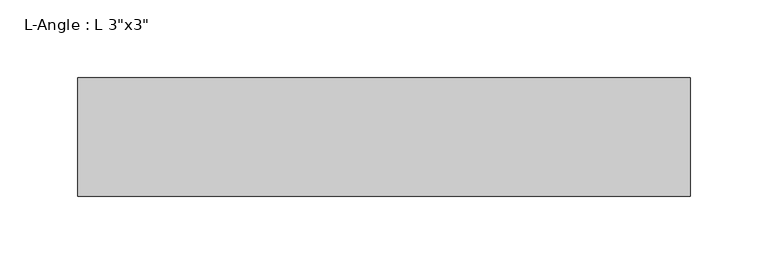
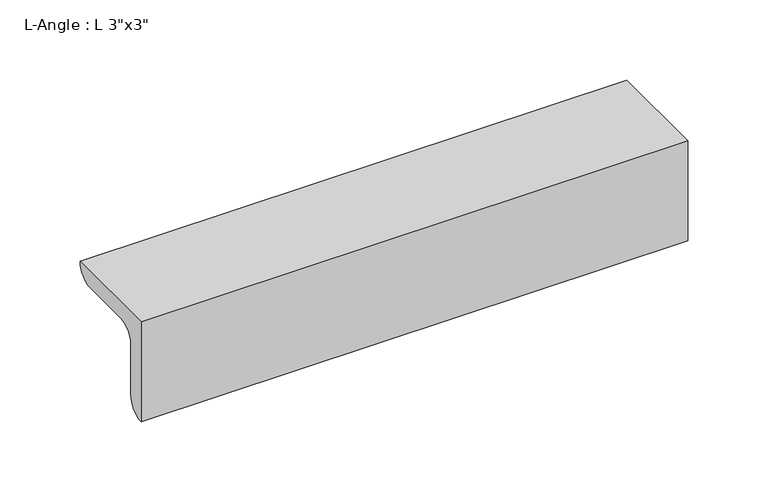
"""IFC4 building model written with IfcOpenShell, lengths in millimetres: beam geometry."""

from ifc_helpers import new_model, si_unit, point, frame, frame_2d, origin, place, context, project, spatial, polyline, circle_curve, trimmed, segment, composite_curve, outline, extrude, source, transform, mapped, element, save


def beam_85357617(model_context):
    return source(origin(), model_context, "Body", "SweptSolid", [
        extrude(outline(composite_curve([segment(polyline([(-24.9039062, 50.3039062), (51.2960938, 50.3039062)]), True, "CONTINUOUS"), segment(trimmed(circle_curve(frame_2d((38.5960938, 50.3039062)), 12.7), [point((51.2960938, 50.3039062))], [point((38.5960938, 37.6039062))], False, "CARTESIAN"), True, "CONTINUOUS"), segment(polyline([(38.5960938, 37.6039062), (0.4960938, 37.6039062)]), True, "CONTINUOUS"), segment(trimmed(circle_curve(frame_2d((0.4960938, 24.9039062)), 12.7), [point((0.4960938, 37.6039062))], [point((-12.2039062, 24.9039062))], True, "CARTESIAN"), True, "CONTINUOUS"), segment(polyline([(-12.2039062, 24.9039062), (-12.2039062, -13.1960938)]), True, "CONTINUOUS"), segment(trimmed(circle_curve(frame_2d((-24.9039062, -13.1960938)), 12.7), [point((-12.2039062, -13.1960938))], [point((-24.9039062, -25.8960938))], False, "CARTESIAN"), True, "CONTINUOUS"), segment(polyline([(-24.9039062, -25.8960938), (-24.9039062, 50.3039062)]), True, "CONTINUOUS")], self_intersect=False)), frame((-196.9961813, 0.0, 0.0), z_axis=(1.0, 0.0, 0.0), x_axis=(0.0, 1.0, 0.0)), (0.0, 0.0, 1.0), 393.9923626),
    ])


if __name__ == "__main__":
    model = new_model("IFC4")
    model_context = context("Model", 3, world=origin())
    ifc_project = project(units=[si_unit("LENGTHUNIT", "METRE", prefix="MILLI")], contexts=[model_context])
    site = spatial("IfcSite", under=ifc_project)
    building = spatial("IfcBuilding", under=site)
    placement = place(None, origin())
    beam_shape = beam_85357617(model_context)
    element("IfcBeam", 1, ObjectType="L-Angle : L 3\"x3\"", at=placement, inside=building, context=model_context, shape_type="MappedRepresentation", body=[
        mapped(beam_shape, transform((0.0, 0.0, 0.0), x_axis=(1.0, 0.0, 0.0), y_axis=(0.0, 1.0, 0.0), z_axis=(0.0, 0.0, 1.0))),
    ])
    save(model, "model.ifc")
